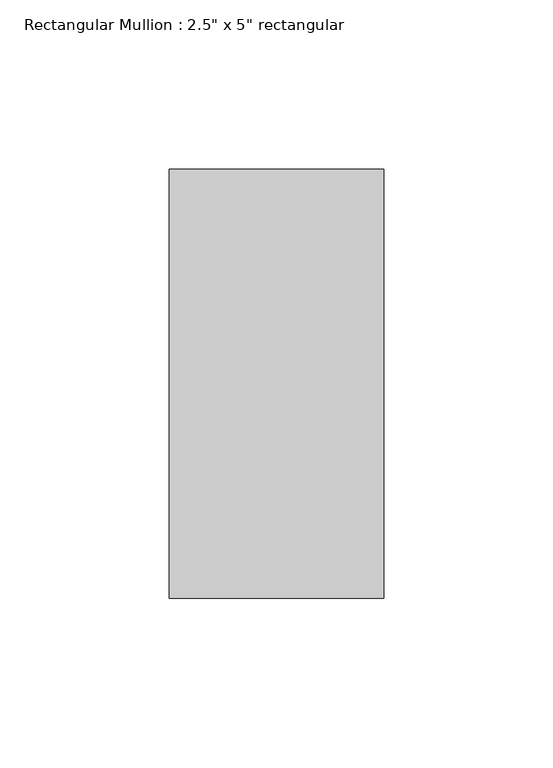
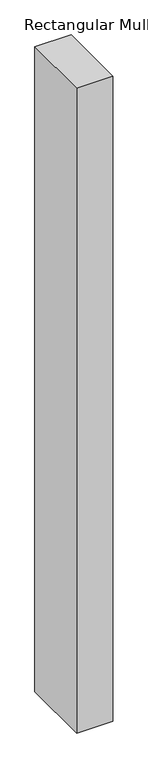
"""IFC4 building model written with IfcOpenShell, lengths in millimetres: member geometry."""

from ifc_helpers import new_model, si_unit, frame, origin, place, context, project, spatial, polyline, outline, extrude, source, transform, mapped, element, save


def member_75009805(model_context):
    return source(origin(), model_context, "Body", "SweptSolid", [
        extrude(outline(polyline([(31.75, 63.5), (31.75, -63.5), (-31.75, -63.5), (-31.75, 63.5), (31.75, 63.5)])), frame((0.0, 0.0, -1194.75), z_axis=(0.0, 0.0, 1.0), x_axis=(1.0, 0.0, 0.0)), (0.0, 0.0, 1.0), 1194.75),
    ])


if __name__ == "__main__":
    model = new_model("IFC4")
    model_context = context("Model", 3, world=origin())
    ifc_project = project(units=[si_unit("LENGTHUNIT", "METRE", prefix="MILLI")], contexts=[model_context])
    site = spatial("IfcSite", under=ifc_project)
    building = spatial("IfcBuilding", under=site)
    placement = place(None, origin())
    member_shape = member_75009805(model_context)
    element("IfcMember", 1, ObjectType="Rectangular Mullion : 2.5\" x 5\" rectangular", at=placement, inside=building, context=model_context, shape_type="MappedRepresentation", body=[
        mapped(member_shape, transform((0.0, 0.0, 0.0), x_axis=(1.0, 0.0, 0.0), y_axis=(0.0, 1.0, 0.0), z_axis=(0.0, 0.0, 1.0))),
    ])
    save(model, "model.ifc")
